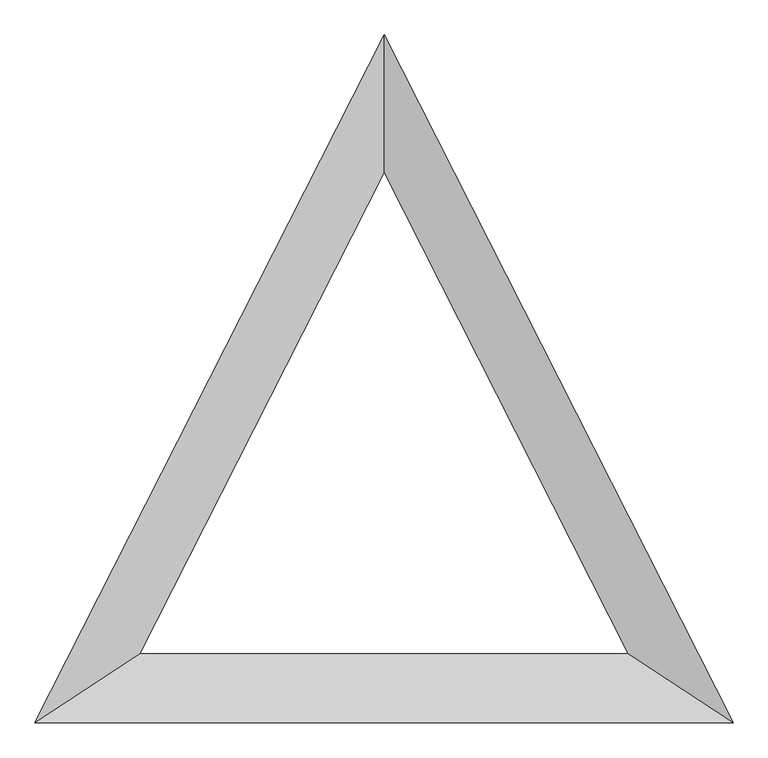
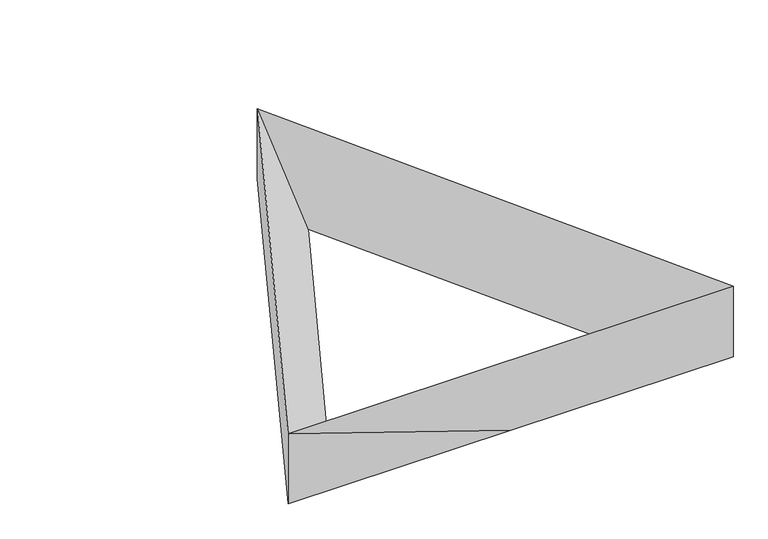
"""IFC4 building model written with IfcOpenShell, lengths in millimetres: plate geometry."""

from ifc_helpers import new_model, si_unit, origin, place, context, project, spatial, faceted_brep, source, transform, mapped, element, save


def plate_5b34fb70(model_context):
    return source(origin(), model_context, "Body", "Brep", [
        faceted_brep([(6096.0, -2321.7758515, 0.0), (6096.0, -2321.7758515, 700.0), (8196.0, -6459.1120743, 700.0), (8196.0, -6459.1120743, 0.0), (3996.0, -6459.1120743, 700.0), (6096.0, -6459.1120743, 0.0), (3996.0, -6459.1120743, 0.0), (7566.0, -6045.378452, 0.0), (6096.0, -3149.243096, 0.0), (4626.0, -6045.378452, 0.0)], [[[0, 1, 2, 3]], [[2, 4, 5, 3]], [[4, 6, 5]], [[0, 6, 4, 1]], [[3, 5, 6, 0], [7, 8, 9]], [[7, 9, 4, 2]], [[9, 8, 1, 4]], [[2, 1, 8, 7]]]),
    ])


if __name__ == "__main__":
    model = new_model("IFC4")
    model_context = context("Model", 3, world=origin())
    ifc_project = project(units=[si_unit("LENGTHUNIT", "METRE", prefix="MILLI")], contexts=[model_context])
    site = spatial("IfcSite", under=ifc_project)
    building = spatial("IfcBuilding", under=site)
    placement = place(None, origin())
    plate_shape = plate_5b34fb70(model_context)
    element("IfcPlate", 1, at=placement, inside=building, context=model_context, shape_type="MappedRepresentation", body=[
        mapped(plate_shape, transform((0.0, 0.0, 0.0), x_axis=(1.0, 0.0, 0.0), y_axis=(0.0, 1.0, 0.0), z_axis=(0.0, 0.0, 1.0))),
    ])
    save(model, "model.ifc")
